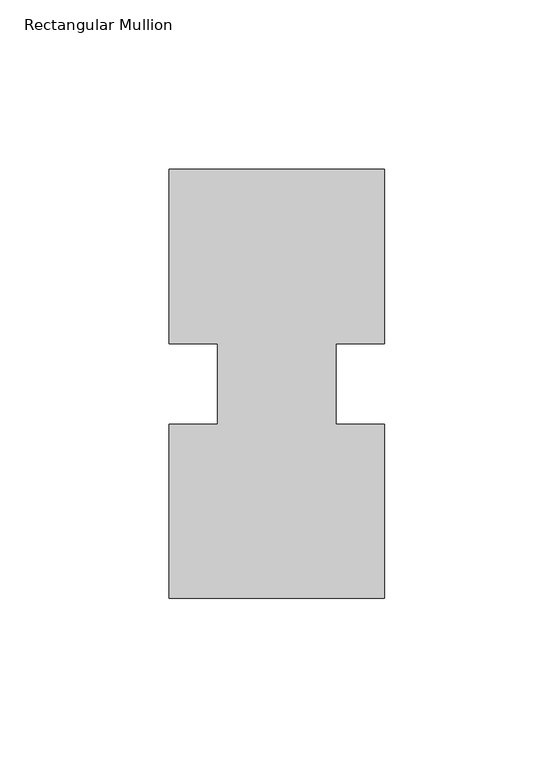
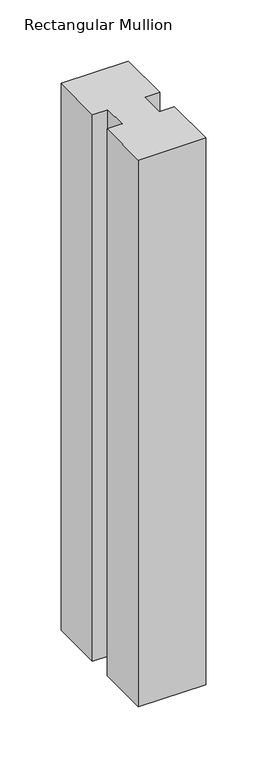
"""IFC4 building model written with IfcOpenShell, lengths in millimetres: member geometry, Rectangular Mullion."""

import ifcopenshell
import ifcopenshell.guid

model = None  # the IFC model being written
_history = None  # IfcOwnerHistory: only IFC2X3 demands one
_inside = {}  # id of a spatial element -> (the spatial element, [elements in it])
_under = {}  # id of a project, library or spatial element -> (it, [spatial elements below it])
_declared = {}  # id of a project -> (the project, [libraries it declares])
_typed = {}  # id of a type object -> (the type object, [elements of that type])
_made_of = {}  # id of a material, layer set ... -> (it, [elements and type objects made of it])


def new_model(schema):
    """Start an empty IFC model of exactly this schema.

    Asked for "IFC4X3", IfcOpenShell would pick the latest addendum, in which some entities
    have other attributes; the version numbers below select the first issue.
    IFC2X3 requires an IfcOwnerHistory on every rooted entity: one is made here for all.
    """
    global model, _history
    if schema == "IFC4X3":
        model = ifcopenshell.file(schema_version=(4, 3, 0, 0))
    else:
        model = ifcopenshell.file(schema=schema)
    _inside.clear()
    _under.clear()
    _declared.clear()
    _typed.clear()
    _made_of.clear()
    _history = None
    if model.schema == "IFC2X3":
        org = make("IfcOrganization", Name="unknown")
        user = make(
            "IfcPersonAndOrganization",
            ThePerson=make("IfcPerson", FamilyName="unknown"),
            TheOrganization=org,
        )
        app = make(
            "IfcApplication",
            ApplicationDeveloper=org,
            Version="unknown",
            ApplicationFullName="unknown",
            ApplicationIdentifier="unknown",
        )
        _history = make(
            "IfcOwnerHistory",
            OwningUser=user,
            OwningApplication=app,
            ChangeAction="ADDED",
            CreationDate=0,
        )
    return model


def make(cls, **values):
    """One entity of the class cls with the attributes given. An attribute that is None is left unset."""
    return model.create_entity(
        cls, **{name: value for name, value in values.items() if value is not None}
    )


def rooted(cls, **values):
    """An entity with a GlobalId (a new one), such as an element, a storey or a relation."""
    return make(cls, GlobalId=ifcopenshell.guid.new(), OwnerHistory=_history, **values)


def si_unit(unit_type, name, prefix=None):
    """IfcSIUnit, for example si_unit("LENGTHUNIT", "METRE", prefix="MILLI")."""
    return make("IfcSIUnit", UnitType=unit_type, Prefix=prefix, Name=name)


def assignment(units):
    """IfcUnitAssignment: the units of a project."""
    return None if units is None else make("IfcUnitAssignment", Units=units)


def point(xyz):
    """IfcCartesianPoint."""
    return None if xyz is None else make("IfcCartesianPoint", Coordinates=xyz)


def direction(xyz):
    """IfcDirection."""
    return None if xyz is None else make("IfcDirection", DirectionRatios=xyz)


def frame(location, z_axis=None, x_axis=None):
    """IfcAxis2Placement3D, a coordinate frame: its origin and axes. An axis left out is left unset."""
    return make(
        "IfcAxis2Placement3D",
        Location=point(location),
        Axis=direction(z_axis),
        RefDirection=direction(x_axis),
    )


def origin():
    """The frame at (0, 0, 0) with its axes left unset."""
    return frame((0.0, 0.0, 0.0))


def place(relative_to, where):
    """IfcLocalPlacement: puts the frame where relative to a parent placement (None: the world)."""
    return make(
        "IfcLocalPlacement", PlacementRelTo=relative_to, RelativePlacement=where
    )


def context(
    kind, dimensions, precision=None, world=None, true_north=None, identifier=None
):
    """IfcGeometricRepresentationContext, for example the 3D "Model" context."""
    return make(
        "IfcGeometricRepresentationContext",
        ContextIdentifier=identifier,
        ContextType=kind,
        CoordinateSpaceDimension=dimensions,
        Precision=precision,
        WorldCoordinateSystem=world,
        TrueNorth=true_north,
    )


def project(units=None, contexts=None):
    """IfcProject with its units and contexts."""
    return rooted(
        "IfcProject",
        Name="project",
        RepresentationContexts=contexts,
        UnitsInContext=assignment(units),
    )


def spatial(cls, under=None, at=None, **own):
    """A site, building, storey or space (cls), placed at a placement, below another one or the project."""
    s = rooted(cls, ObjectPlacement=at, **own)
    if under is not None:
        _under.setdefault(under.id(), (under, []))[1].append(s)
    return s


def polyline(points):
    """IfcPolyline through the points."""
    return make("IfcPolyline", Points=[point(p) for p in points])


def outline(outer, holes=None, kind="AREA"):
    """IfcArbitraryClosedProfileDef: a profile drawn as a closed curve; with holes, ...WithVoids."""
    if holes is None:
        return make("IfcArbitraryClosedProfileDef", ProfileType=kind, OuterCurve=outer)
    return make(
        "IfcArbitraryProfileDefWithVoids",
        ProfileType=kind,
        OuterCurve=outer,
        InnerCurves=holes,
    )


def extrude(swept, where, along, depth):
    """IfcExtrudedAreaSolid: the profile swept, set in the frame where, extruded along a direction by depth."""
    return make(
        "IfcExtrudedAreaSolid",
        SweptArea=swept,
        Position=where,
        ExtrudedDirection=direction(along),
        Depth=depth,
    )


def shape(context_of_items, identifier, shape_type, items):
    """IfcShapeRepresentation: the items that make up one representation, for example the "Body"."""
    return make(
        "IfcShapeRepresentation",
        ContextOfItems=context_of_items,
        RepresentationIdentifier=identifier,
        RepresentationType=shape_type,
        Items=items,
    )


def source(mapping_origin, context_of_items, identifier, shape_type, items):
    """IfcRepresentationMap: a shape defined once, which mapped items show again and again."""
    return make(
        "IfcRepresentationMap",
        MappingOrigin=mapping_origin,
        MappedRepresentation=shape(context_of_items, identifier, shape_type, items),
    )


def transform(
    local_origin,
    x_axis=None,
    y_axis=None,
    z_axis=None,
    scale=None,
    scale2=None,
    scale3=None,
    uniform=True,
):
    """IfcCartesianTransformationOperator3D, or its non-uniform kind. x_axis, y_axis, z_axis: its Axis1, 2, 3."""
    if uniform:
        return make(
            "IfcCartesianTransformationOperator3D",
            Axis1=direction(x_axis),
            Axis2=direction(y_axis),
            LocalOrigin=point(local_origin),
            Scale=scale,
            Axis3=direction(z_axis),
        )
    return make(
        "IfcCartesianTransformationOperator3DnonUniform",
        Axis1=direction(x_axis),
        Axis2=direction(y_axis),
        LocalOrigin=point(local_origin),
        Scale=scale,
        Axis3=direction(z_axis),
        Scale2=scale2,
        Scale3=scale3,
    )


def mapped(mapping_source, mapping_target):
    """IfcMappedItem: shows the shape of a source again, moved by a transform."""
    return make(
        "IfcMappedItem", MappingSource=mapping_source, MappingTarget=mapping_target
    )


def made_of(thing, what):
    """Note that an element or type object is made of a material, layer set ...; save() writes the relation."""
    if what is not None:
        _made_of.setdefault(what.id(), (what, []))[1].append(thing)
    return thing


def element(
    cls,
    number,
    at=None,
    inside=None,
    cuts=None,
    type_object=None,
    material=None,
    context=None,
    identifier="Body",
    shape_type=None,
    held_by="IfcProductDefinitionShape",
    body=None,
    shapes=None,
    **own,
):
    """One element of the class cls, such as IfcWall. Its Tag is "e" and its number.

    at: its placement. inside: the storey or other place that contains it. cuts: it is an
    opening in that element (IfcRelVoidsElement). A single representation is given by context,
    identifier, shape_type and body (its items); several are given by shapes. held_by: the class
    of the entity that holds the representations. save() writes the other relations.
    """
    e = rooted(cls, Tag="e%d" % number, ObjectPlacement=at, **own)
    if body is not None:
        shapes = [shape(context, identifier, shape_type, body)]
    if shapes is not None:
        e.Representation = make(held_by, Representations=shapes)
    if inside is not None:
        _inside.setdefault(inside.id(), (inside, []))[1].append(e)
    if cuts is not None:
        rooted(
            "IfcRelVoidsElement", RelatingBuildingElement=cuts, RelatedOpeningElement=e
        )
    if type_object is not None:
        _typed.setdefault(type_object.id(), (type_object, []))[1].append(e)
    return made_of(e, material)


def aggregate(whole, parts):
    """IfcRelAggregates: a whole, such as a stair, and the parts it consists of."""
    return rooted("IfcRelAggregates", RelatingObject=whole, RelatedObjects=parts)


def save(model, path):
    """Write the relations noted so far, then the file.

    IfcRelAggregates (storeys below a building ...), IfcRelContainedInSpatialStructure (elements
    in a storey), IfcRelDefinesByType, IfcRelAssociatesMaterial and IfcRelDeclares: one each for
    every whole, place, type object, material and project.
    """
    for whole, parts in _under.values():
        aggregate(whole, parts)
    for where, things in _inside.values():
        rooted(
            "IfcRelContainedInSpatialStructure",
            RelatedElements=things,
            RelatingStructure=where,
        )
    for kind, things in _typed.values():
        rooted("IfcRelDefinesByType", RelatedObjects=things, RelatingType=kind)
    for what, things in _made_of.values():
        rooted("IfcRelAssociatesMaterial", RelatedObjects=things, RelatingMaterial=what)
    for by, libraries in _declared.values():
        rooted("IfcRelDeclares", RelatingContext=by, RelatedDefinitions=libraries)
    model.write(path)


def rectangular_mullion_e487ea9c(model_context):
    return source(origin(), model_context, "Body", "SweptSolid", [
        extrude(outline(polyline([(-63.5, 0.26035), (-63.5, 51.60645), (-49.2125, 51.60645), (-49.2125, 75.40625), (-63.5, 75.40625), (-63.5, 126.75235), (0.0, 126.75235), (0.0, 75.40625), (-14.2748, 75.40625), (-14.2748, 51.60645), (0.0, 51.60645), (0.0, 0.26035), (-63.5, 0.26035)])), frame((0.0, 0.0, -546.0999994), z_axis=(0.0, 0.0, 1.0), x_axis=(1.0, 0.0, 0.0)), (0.0, 0.0, 1.0), 546.0999994),
    ])


if __name__ == "__main__":
    model = new_model("IFC4")
    model_context = context("Model", 3, world=origin())
    ifc_project = project(units=[si_unit("LENGTHUNIT", "METRE", prefix="MILLI")], contexts=[model_context])
    site = spatial("IfcSite", under=ifc_project)
    building = spatial("IfcBuilding", under=site)
    placement = place(None, origin())
    rectangular_mullion_shape = rectangular_mullion_e487ea9c(model_context)
    element("IfcMember", 1, ObjectType="Rectangular Mullion", at=placement, inside=building, context=model_context, shape_type="MappedRepresentation", body=[
        mapped(rectangular_mullion_shape, transform((0.0, 0.0, 0.0), x_axis=(1.0, 0.0, 0.0), y_axis=(0.0, 1.0, 0.0), z_axis=(0.0, 0.0, 1.0))),
    ])
    save(model, "model.ifc")
